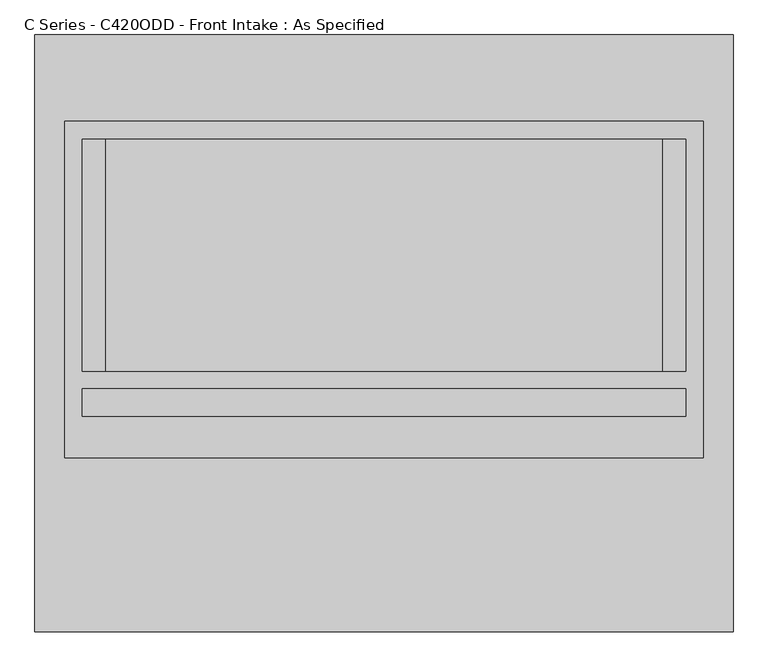
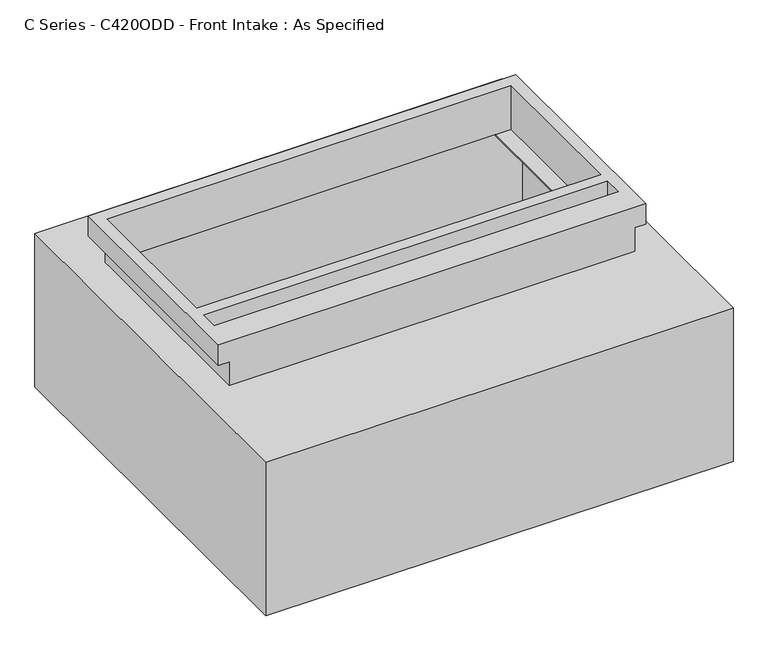
"""IFC4 building model written with IfcOpenShell, lengths in millimetres: proxy geometry, C Series - C420ODD - Front Intake : As Specified."""

from ifc_helpers import new_model, si_unit, frame, origin, place, context, project, spatial, polyline, circle_curve, faceted_brep, source, transform, mapped, element, save
from ifc_brep_helpers import plane_surface, revolved_surface, advanced_brep


def c_series_c420odd_front_intake_as_specified_a3429e35(model_context):
    return source(origin(), model_context, "Body", "SolidModel", [
        advanced_brep(
        [(764.38125, 653.3058594, -530.3242188), (764.38125, -653.3058594, -530.3242188), (-764.38125, -653.3058594, -530.3242188), (-764.38125, 653.3058594, -530.3242188), (764.38125, 653.3058594, 0.0), (-764.38125, 653.3058594, 0.0), (-764.38125, -653.3058594, 0.0), (764.38125, -653.3058594, 0.0), (609.6, 424.6066406, 0.0), (609.6, -83.3933594, 0.0), (-609.6, -83.3933594, 0.0), (-609.6, 424.6066406, 0.0), (764.38125, -272.3058594, -430.3117188), (764.38125, -294.5308594, -430.3117188), (764.38125, -170.7058594, -430.3117188), (764.38125, -192.9308594, -430.3117188), (764.38125, -272.3058594, -100.1117188), (764.38125, -294.5308594, -100.1117188), (764.38125, -170.7058594, -100.1117188), (764.38125, -192.9308594, -100.1117188), (698.5, 424.6066406, -527.05), (-698.5, 424.6066406, -527.05), (-698.5, -83.3933594, -527.05), (698.5, -83.3933594, -527.05), (698.5, 424.6066406, -3.175), (698.5, -83.3933594, -3.175), (609.6, -83.3933594, -3.175), (609.6, 424.6066406, -3.175), (-698.5, -83.3933594, -3.175), (-698.5, 424.6066406, -3.175), (-609.6, 424.6066406, -3.175), (-609.6, -83.3933594, -3.175), (748.528271, -294.5308594, -430.3117188), (748.528271, -272.3058594, -430.3117188), (748.528271, -192.9308594, -430.3117188), (748.528271, -170.7058594, -430.3117188), (748.528271, -294.5308594, -100.1117188), (748.528271, -272.3058594, -100.1117188), (748.528271, -192.9308594, -100.1117188), (748.528271, -170.7058594, -100.1117188)],
        [
            (0, 1),
            (1, 2),
            (2, 3),
            (3, 0),
            (4, 5),
            (5, 6),
            (6, 7),
            (7, 4),
            (8, 9),
            (9, 10),
            (10, 11),
            (11, 8),
            (3, 5),
            (4, 0),
            (2, 6),
            (1, 7),
            (12, 13, circle_curve(frame((764.38125, -283.4183594, -430.3117188), z_axis=(-1.0, 0.0, 0.0), x_axis=(0.0, 1.0, 0.0)), 11.1125)),
            (13, 12, circle_curve(frame((764.38125, -283.4183594, -430.3117188), z_axis=(-1.0, 0.0, 0.0), x_axis=(0.0, 1.0, 0.0)), 11.1125)),
            (14, 15, circle_curve(frame((764.38125, -181.8183594, -430.3117188), z_axis=(-1.0, 0.0, 0.0), x_axis=(0.0, 1.0, 0.0)), 11.1125)),
            (15, 14, circle_curve(frame((764.38125, -181.8183594, -430.3117188), z_axis=(-1.0, 0.0, 0.0), x_axis=(0.0, 1.0, 0.0)), 11.1125)),
            (16, 17, circle_curve(frame((764.38125, -283.4183594, -100.1117188), z_axis=(-1.0, 0.0, 0.0), x_axis=(0.0, 1.0, 0.0)), 11.1125)),
            (17, 16, circle_curve(frame((764.38125, -283.4183594, -100.1117188), z_axis=(-1.0, 0.0, 0.0), x_axis=(0.0, 1.0, 0.0)), 11.1125)),
            (18, 19, circle_curve(frame((764.38125, -181.8183594, -100.1117188), z_axis=(-1.0, 0.0, 0.0), x_axis=(0.0, 1.0, 0.0)), 11.1125)),
            (19, 18, circle_curve(frame((764.38125, -181.8183594, -100.1117188), z_axis=(-1.0, 0.0, 0.0), x_axis=(0.0, 1.0, 0.0)), 11.1125)),
            (20, 21),
            (21, 22),
            (22, 23),
            (23, 20),
            (24, 25),
            (25, 26),
            (26, 27),
            (27, 24),
            (28, 29),
            (29, 30),
            (30, 31),
            (31, 28),
            (23, 25),
            (24, 20),
            (22, 28),
            (31, 10),
            (9, 26),
            (21, 29),
            (27, 8),
            (11, 30),
            (32, 33, circle_curve(frame((748.528271, -283.4183594, -430.3117188), z_axis=(1.0, 0.0, 0.0), x_axis=(0.0, 1.0, 0.0)), 11.1125)),
            (33, 32, circle_curve(frame((748.528271, -283.4183594, -430.3117188), z_axis=(1.0, 0.0, 0.0), x_axis=(0.0, 1.0, 0.0)), 11.1125)),
            (34, 35, circle_curve(frame((748.528271, -181.8183594, -430.3117188), z_axis=(1.0, 0.0, 0.0), x_axis=(0.0, 1.0, 0.0)), 11.1125)),
            (35, 34, circle_curve(frame((748.528271, -181.8183594, -430.3117188), z_axis=(1.0, 0.0, 0.0), x_axis=(0.0, 1.0, 0.0)), 11.1125)),
            (36, 37, circle_curve(frame((748.528271, -283.4183594, -100.1117188), z_axis=(1.0, 0.0, 0.0), x_axis=(0.0, 1.0, 0.0)), 11.1125)),
            (37, 36, circle_curve(frame((748.528271, -283.4183594, -100.1117188), z_axis=(1.0, 0.0, 0.0), x_axis=(0.0, 1.0, 0.0)), 11.1125)),
            (38, 39, circle_curve(frame((748.528271, -181.8183594, -100.1117188), z_axis=(1.0, 0.0, 0.0), x_axis=(0.0, 1.0, 0.0)), 11.1125)),
            (39, 38, circle_curve(frame((748.528271, -181.8183594, -100.1117188), z_axis=(1.0, 0.0, 0.0), x_axis=(0.0, 1.0, 0.0)), 11.1125)),
            (32, 13),
            (12, 33),
            (34, 15),
            (14, 35),
            (36, 17),
            (16, 37),
            (38, 19),
            (18, 39),
        ],
        [
            plane_surface(frame((-764.38125, 653.3058594, -530.3242188), z_axis=(0.0, 0.0, -1.0), x_axis=(1.0, 0.0, 0.0))),
            plane_surface(frame((-764.38125, 653.3058594, 0.0), z_axis=(0.0, 0.0, 1.0), x_axis=(-1.0, 0.0, 0.0))),
            plane_surface(frame((764.38125, 653.3058594, 0.0), z_axis=(0.0, 1.0, 0.0), x_axis=(0.0, 0.0, -1.0))),
            plane_surface(frame((-764.38125, 653.3058594, 0.0), z_axis=(-1.0, 0.0, 0.0), x_axis=(0.0, 0.0, -1.0))),
            plane_surface(frame((-764.38125, -653.3058594, 0.0), z_axis=(0.0, -1.0, 0.0), x_axis=(0.0, 0.0, -1.0))),
            plane_surface(frame((764.38125, -653.3058594, 0.0), z_axis=(1.0, 0.0, 0.0), x_axis=(0.0, 0.0, -1.0))),
            plane_surface(frame((698.5, 424.6066406, -527.05), z_axis=(0.0, 0.0, 1.0), x_axis=(0.0, -1.0, 0.0))),
            plane_surface(frame((698.5, 424.6066406, -3.175), z_axis=(0.0, 0.0, -1.0), x_axis=(0.0, 1.0, 0.0))),
            plane_surface(frame((698.5, 424.6066406, -527.05), z_axis=(-1.0, 0.0, 0.0), x_axis=(0.0, 0.0, 1.0))),
            plane_surface(frame((698.5, -83.3933594, -527.05), z_axis=(0.0, 1.0, 0.0), x_axis=(0.0, 0.0, 1.0))),
            plane_surface(frame((-698.5, -83.3933594, -527.05), z_axis=(1.0, 0.0, 0.0), x_axis=(0.0, 0.0, 1.0))),
            plane_surface(frame((-698.5, 424.6066406, -527.05), z_axis=(0.0, -1.0, 0.0), x_axis=(0.0, 0.0, 1.0))),
            plane_surface(frame((609.6, 424.6066406, -25.4), z_axis=(-1.0, 0.0, 0.0), x_axis=(0.0, 0.0, 1.0))),
            plane_surface(frame((-609.6, -83.3933594, -25.4), z_axis=(1.0, 0.0, 0.0), x_axis=(0.0, 0.0, 1.0))),
            plane_surface(frame((748.528271, -272.3058594, -430.3117188), z_axis=(1.0, 0.0, 0.0), x_axis=(0.0, 0.0, -1.0))),
            revolved_surface(polyline([(764.38125, -272.3058594, -430.3117188), (748.528271, -272.3058594, -430.3117188)]), (748.528271, -283.4183594, -430.3117188), (1.0, 0.0, 0.0)),
            revolved_surface(polyline([(764.38125, -170.70585939999998, -430.3117188), (748.528271, -170.70585939999998, -430.3117188)]), (0.0, -181.8183594, -430.3117188), (1.0, 0.0, 0.0)),
            revolved_surface(polyline([(764.38125, -272.3058594, -100.1117188), (748.528271, -272.3058594, -100.1117188)]), (0.0, -283.4183594, -100.1117188), (1.0, 0.0, 0.0)),
            revolved_surface(polyline([(764.38125, -170.70585939999998, -100.1117188), (748.528271, -170.70585939999998, -100.1117188)]), (0.0, -181.8183594, -100.1117188), (1.0, 0.0, 0.0)),
        ],
        [
            (0, [[1, 2, 3, 4]]),
            (1, [[5, 6, 7, 8], [9, 10, 11, 12]]),
            (2, [[-4, 13, -5, 14]]),
            (3, [[-3, 15, -6, -13]]),
            (4, [[-2, 16, -7, -15]]),
            (5, [[-1, -14, -8, -16], [17, 18], [19, 20], [21, 22], [23, 24]]),
            (6, [[25, 26, 27, 28]]),
            (7, [[29, 30, 31, 32]]),
            (7, [[33, 34, 35, 36]]),
            (8, [[-28, 37, -29, 38]]),
            (9, [[-27, 39, -36, 40, -10, 41, -30, -37]]),
            (10, [[-26, 42, -33, -39]]),
            (11, [[-25, -38, -32, 43, -12, 44, -34, -42]]),
            (12, [[-43, -31, -41, -9]]),
            (13, [[-40, -35, -44, -11]]),
            (14, [[45, 46]]),
            (14, [[47, 48]]),
            (14, [[49, 50]]),
            (14, [[51, 52]]),
            (15, [[-45, 53, -17, 54]]),
            (15, [[-46, -54, -18, -53]]),
            (16, [[-47, 55, -19, 56]]),
            (16, [[-48, -56, -20, -55]]),
            (17, [[-49, 57, -21, 58]]),
            (17, [[-50, -58, -22, -57]]),
            (18, [[-51, 59, -23, 60]]),
            (18, [[-52, -60, -24, -59]]),
        ],
    ),
        faceted_brep([(698.5, 464.2941406, 152.4), (-698.5, 464.2941406, 152.4), (-698.5, -272.3058594, 152.4), (698.5, -272.3058594, 152.4), (660.4, 424.6066406, 152.4), (660.4, -83.3933594, 152.4), (-660.4, -83.3933594, 152.4), (-660.4, 424.6066406, 152.4), (660.4, -121.4933594, 152.4), (660.4, -181.8183594, 152.4), (-660.4, -181.8183594, 152.4), (-660.4, -121.4933594, 152.4), (663.575, -272.3058594, 0.0), (-663.575, -272.3058594, 0.0), (-663.575, 429.3691406, 0.0), (663.575, 429.3691406, 0.0), (660.4, -83.3933594, 0.0), (660.4, 424.6066406, 0.0), (-660.4, 424.6066406, 0.0), (-660.4, -83.3933594, 0.0), (698.5, 464.2941406, 82.55), (-698.5, 464.2941406, 82.55), (-698.5, -272.3058594, 82.55), (-663.575, -272.3058594, 82.55), (663.575, -272.3058594, 82.55), (698.5, -272.3058594, 82.55), (663.575, 429.3691406, 82.55), (-663.575, 429.3691406, 82.55), (660.4, -121.4933594, 82.55), (-660.4, -121.4933594, 82.55), (-660.4, -181.8183594, 82.55), (660.4, -181.8183594, 82.55)], [[[0, 1, 2, 3], [4, 5, 6, 7], [8, 9, 10, 11]], [[12, 13, 14, 15], [16, 17, 18, 19]], [[1, 0, 20, 21]], [[2, 1, 21, 22]], [[3, 2, 22, 23, 13, 12, 24, 25]], [[0, 3, 25, 20]], [[24, 26, 27, 23, 22, 21, 20, 25]], [[26, 24, 12, 15]], [[27, 26, 15, 14]], [[23, 27, 14, 13]], [[16, 5, 4, 17]], [[5, 16, 19, 6]], [[6, 19, 18, 7]], [[17, 4, 7, 18]], [[28, 29, 30, 31]], [[28, 31, 9, 8]], [[31, 30, 10, 9]], [[30, 29, 11, 10]], [[29, 28, 8, 11]]]),
    ])


if __name__ == "__main__":
    model = new_model("IFC4")
    model_context = context("Model", 3, world=origin())
    ifc_project = project(units=[si_unit("LENGTHUNIT", "METRE", prefix="MILLI")], contexts=[model_context])
    site = spatial("IfcSite", under=ifc_project)
    building = spatial("IfcBuilding", under=site)
    placement = place(None, origin())
    c_series_c420odd_front_intake_as_specified_shape = c_series_c420odd_front_intake_as_specified_a3429e35(model_context)
    element("IfcBuildingElementProxy", 1, Name="C Series - C420ODD - Front Intake : As Specified", ObjectType="C Series - C420ODD - Front Intake : As Specified", at=placement, inside=building, context=model_context, shape_type="MappedRepresentation", body=[
        mapped(c_series_c420odd_front_intake_as_specified_shape, transform((0.0, 0.0, 0.0), x_axis=(1.0, 0.0, 0.0), y_axis=(0.0, 1.0, 0.0), z_axis=(0.0, 0.0, 1.0))),
    ])
    save(model, "model.ifc")
